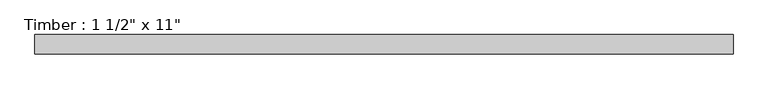
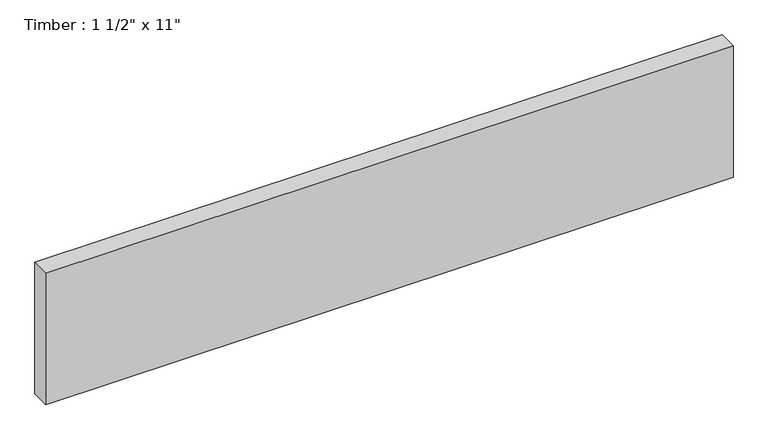
"""IFC4 building model written with IfcOpenShell, lengths in millimetres: beam geometry."""

from ifc_helpers import new_model, si_unit, frame, origin, place, context, project, spatial, polyline, outline, extrude, source, transform, mapped, element, save


def beam_15223b12(model_context):
    return source(origin(), model_context, "Body", "SweptSolid", [
        extrude(outline(polyline([(690.8471228, 19.05), (690.8471228, -19.05), (-690.8471228, -19.05), (-690.8471228, 19.05), (690.8471228, 19.05)])), frame((0.0, 0.0, -139.7), z_axis=(0.0, 0.0, 1.0), x_axis=(1.0, 0.0, 0.0)), (0.0, 0.0, 1.0), 279.4),
    ])


if __name__ == "__main__":
    model = new_model("IFC4")
    model_context = context("Model", 3, world=origin())
    ifc_project = project(units=[si_unit("LENGTHUNIT", "METRE", prefix="MILLI")], contexts=[model_context])
    site = spatial("IfcSite", under=ifc_project)
    building = spatial("IfcBuilding", under=site)
    placement = place(None, origin())
    beam_shape = beam_15223b12(model_context)
    element("IfcBeam", 1, ObjectType="Timber : 1 1/2\" x 11\"", at=placement, inside=building, context=model_context, shape_type="MappedRepresentation", body=[
        mapped(beam_shape, transform((0.0, 0.0, 0.0), x_axis=(1.0, 0.0, 0.0), y_axis=(0.0, 1.0, 0.0), z_axis=(0.0, 0.0, 1.0))),
    ])
    save(model, "model.ifc")
